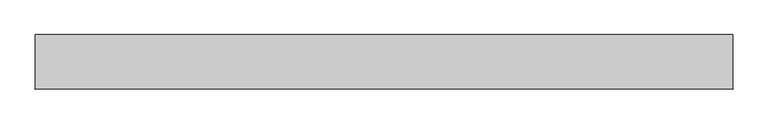
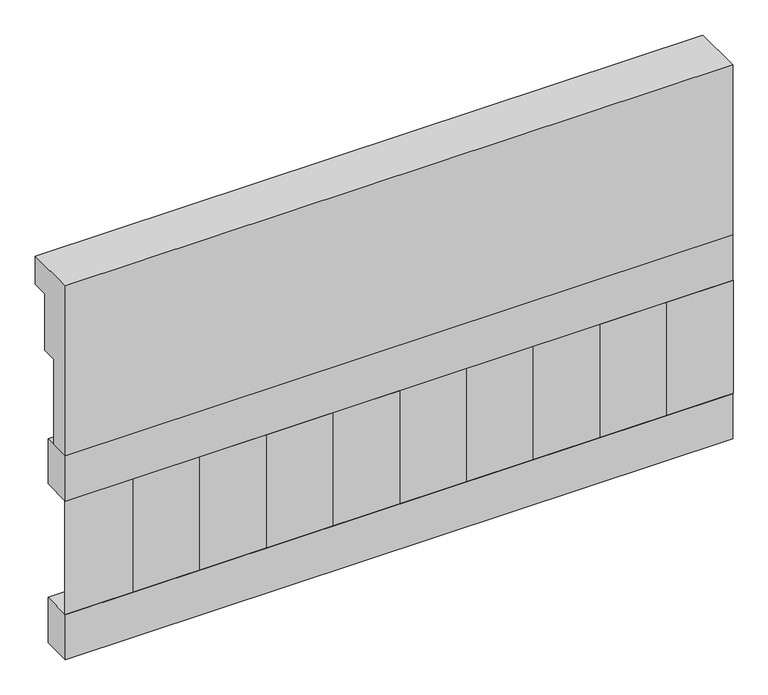
"""IFC4 building model written with IfcOpenShell, lengths in millimetres: railing geometry."""

import ifcopenshell
import ifcopenshell.guid

model = None  # the IFC model being written
_history = None  # IfcOwnerHistory: only IFC2X3 demands one
_inside = {}  # id of a spatial element -> (the spatial element, [elements in it])
_under = {}  # id of a project, library or spatial element -> (it, [spatial elements below it])
_declared = {}  # id of a project -> (the project, [libraries it declares])
_typed = {}  # id of a type object -> (the type object, [elements of that type])
_made_of = {}  # id of a material, layer set ... -> (it, [elements and type objects made of it])


def new_model(schema):
    """Start an empty IFC model of exactly this schema.

    Asked for "IFC4X3", IfcOpenShell would pick the latest addendum, in which some entities
    have other attributes; the version numbers below select the first issue.
    IFC2X3 requires an IfcOwnerHistory on every rooted entity: one is made here for all.
    """
    global model, _history
    if schema == "IFC4X3":
        model = ifcopenshell.file(schema_version=(4, 3, 0, 0))
    else:
        model = ifcopenshell.file(schema=schema)
    _inside.clear()
    _under.clear()
    _declared.clear()
    _typed.clear()
    _made_of.clear()
    _history = None
    if model.schema == "IFC2X3":
        org = make("IfcOrganization", Name="unknown")
        user = make(
            "IfcPersonAndOrganization",
            ThePerson=make("IfcPerson", FamilyName="unknown"),
            TheOrganization=org,
        )
        app = make(
            "IfcApplication",
            ApplicationDeveloper=org,
            Version="unknown",
            ApplicationFullName="unknown",
            ApplicationIdentifier="unknown",
        )
        _history = make(
            "IfcOwnerHistory",
            OwningUser=user,
            OwningApplication=app,
            ChangeAction="ADDED",
            CreationDate=0,
        )
    return model


def make(cls, **values):
    """One entity of the class cls with the attributes given. An attribute that is None is left unset."""
    return model.create_entity(
        cls, **{name: value for name, value in values.items() if value is not None}
    )


def rooted(cls, **values):
    """An entity with a GlobalId (a new one), such as an element, a storey or a relation."""
    return make(cls, GlobalId=ifcopenshell.guid.new(), OwnerHistory=_history, **values)


def si_unit(unit_type, name, prefix=None):
    """IfcSIUnit, for example si_unit("LENGTHUNIT", "METRE", prefix="MILLI")."""
    return make("IfcSIUnit", UnitType=unit_type, Prefix=prefix, Name=name)


def assignment(units):
    """IfcUnitAssignment: the units of a project."""
    return None if units is None else make("IfcUnitAssignment", Units=units)


def point(xyz):
    """IfcCartesianPoint."""
    return None if xyz is None else make("IfcCartesianPoint", Coordinates=xyz)


def direction(xyz):
    """IfcDirection."""
    return None if xyz is None else make("IfcDirection", DirectionRatios=xyz)


def frame(location, z_axis=None, x_axis=None):
    """IfcAxis2Placement3D, a coordinate frame: its origin and axes. An axis left out is left unset."""
    return make(
        "IfcAxis2Placement3D",
        Location=point(location),
        Axis=direction(z_axis),
        RefDirection=direction(x_axis),
    )


def origin():
    """The frame at (0, 0, 0) with its axes left unset."""
    return frame((0.0, 0.0, 0.0))


def place(relative_to, where):
    """IfcLocalPlacement: puts the frame where relative to a parent placement (None: the world)."""
    return make(
        "IfcLocalPlacement", PlacementRelTo=relative_to, RelativePlacement=where
    )


def context(
    kind, dimensions, precision=None, world=None, true_north=None, identifier=None
):
    """IfcGeometricRepresentationContext, for example the 3D "Model" context."""
    return make(
        "IfcGeometricRepresentationContext",
        ContextIdentifier=identifier,
        ContextType=kind,
        CoordinateSpaceDimension=dimensions,
        Precision=precision,
        WorldCoordinateSystem=world,
        TrueNorth=true_north,
    )


def project(units=None, contexts=None):
    """IfcProject with its units and contexts."""
    return rooted(
        "IfcProject",
        Name="project",
        RepresentationContexts=contexts,
        UnitsInContext=assignment(units),
    )


def spatial(cls, under=None, at=None, **own):
    """A site, building, storey or space (cls), placed at a placement, below another one or the project."""
    s = rooted(cls, ObjectPlacement=at, **own)
    if under is not None:
        _under.setdefault(under.id(), (under, []))[1].append(s)
    return s


def polyline(points):
    """IfcPolyline through the points."""
    return make("IfcPolyline", Points=[point(p) for p in points])


def outline(outer, holes=None, kind="AREA"):
    """IfcArbitraryClosedProfileDef: a profile drawn as a closed curve; with holes, ...WithVoids."""
    if holes is None:
        return make("IfcArbitraryClosedProfileDef", ProfileType=kind, OuterCurve=outer)
    return make(
        "IfcArbitraryProfileDefWithVoids",
        ProfileType=kind,
        OuterCurve=outer,
        InnerCurves=holes,
    )


def extrude(swept, where, along, depth):
    """IfcExtrudedAreaSolid: the profile swept, set in the frame where, extruded along a direction by depth."""
    return make(
        "IfcExtrudedAreaSolid",
        SweptArea=swept,
        Position=where,
        ExtrudedDirection=direction(along),
        Depth=depth,
    )


def shape(context_of_items, identifier, shape_type, items):
    """IfcShapeRepresentation: the items that make up one representation, for example the "Body"."""
    return make(
        "IfcShapeRepresentation",
        ContextOfItems=context_of_items,
        RepresentationIdentifier=identifier,
        RepresentationType=shape_type,
        Items=items,
    )


def source(mapping_origin, context_of_items, identifier, shape_type, items):
    """IfcRepresentationMap: a shape defined once, which mapped items show again and again."""
    return make(
        "IfcRepresentationMap",
        MappingOrigin=mapping_origin,
        MappedRepresentation=shape(context_of_items, identifier, shape_type, items),
    )


def transform(
    local_origin,
    x_axis=None,
    y_axis=None,
    z_axis=None,
    scale=None,
    scale2=None,
    scale3=None,
    uniform=True,
):
    """IfcCartesianTransformationOperator3D, or its non-uniform kind. x_axis, y_axis, z_axis: its Axis1, 2, 3."""
    if uniform:
        return make(
            "IfcCartesianTransformationOperator3D",
            Axis1=direction(x_axis),
            Axis2=direction(y_axis),
            LocalOrigin=point(local_origin),
            Scale=scale,
            Axis3=direction(z_axis),
        )
    return make(
        "IfcCartesianTransformationOperator3DnonUniform",
        Axis1=direction(x_axis),
        Axis2=direction(y_axis),
        LocalOrigin=point(local_origin),
        Scale=scale,
        Axis3=direction(z_axis),
        Scale2=scale2,
        Scale3=scale3,
    )


def mapped(mapping_source, mapping_target):
    """IfcMappedItem: shows the shape of a source again, moved by a transform."""
    return make(
        "IfcMappedItem", MappingSource=mapping_source, MappingTarget=mapping_target
    )


def made_of(thing, what):
    """Note that an element or type object is made of a material, layer set ...; save() writes the relation."""
    if what is not None:
        _made_of.setdefault(what.id(), (what, []))[1].append(thing)
    return thing


def element(
    cls,
    number,
    at=None,
    inside=None,
    cuts=None,
    type_object=None,
    material=None,
    context=None,
    identifier="Body",
    shape_type=None,
    held_by="IfcProductDefinitionShape",
    body=None,
    shapes=None,
    **own,
):
    """One element of the class cls, such as IfcWall. Its Tag is "e" and its number.

    at: its placement. inside: the storey or other place that contains it. cuts: it is an
    opening in that element (IfcRelVoidsElement). A single representation is given by context,
    identifier, shape_type and body (its items); several are given by shapes. held_by: the class
    of the entity that holds the representations. save() writes the other relations.
    """
    e = rooted(cls, Tag="e%d" % number, ObjectPlacement=at, **own)
    if body is not None:
        shapes = [shape(context, identifier, shape_type, body)]
    if shapes is not None:
        e.Representation = make(held_by, Representations=shapes)
    if inside is not None:
        _inside.setdefault(inside.id(), (inside, []))[1].append(e)
    if cuts is not None:
        rooted(
            "IfcRelVoidsElement", RelatingBuildingElement=cuts, RelatedOpeningElement=e
        )
    if type_object is not None:
        _typed.setdefault(type_object.id(), (type_object, []))[1].append(e)
    return made_of(e, material)


def aggregate(whole, parts):
    """IfcRelAggregates: a whole, such as a stair, and the parts it consists of."""
    return rooted("IfcRelAggregates", RelatingObject=whole, RelatedObjects=parts)


def save(model, path):
    """Write the relations noted so far, then the file.

    IfcRelAggregates (storeys below a building ...), IfcRelContainedInSpatialStructure (elements
    in a storey), IfcRelDefinesByType, IfcRelAssociatesMaterial and IfcRelDeclares: one each for
    every whole, place, type object, material and project.
    """
    for whole, parts in _under.values():
        aggregate(whole, parts)
    for where, things in _inside.values():
        rooted(
            "IfcRelContainedInSpatialStructure",
            RelatedElements=things,
            RelatingStructure=where,
        )
    for kind, things in _typed.values():
        rooted("IfcRelDefinesByType", RelatedObjects=things, RelatingType=kind)
    for what, things in _made_of.values():
        rooted("IfcRelAssociatesMaterial", RelatedObjects=things, RelatingMaterial=what)
    for by, libraries in _declared.values():
        rooted("IfcRelDeclares", RelatingContext=by, RelatedDefinitions=libraries)
    model.write(path)


def railing_5938dfd2(model_context):
    return source(origin(), model_context, "Body", "SweptSolid", [
        extrude(outline(polyline([(903.1079487, 25100.0), (1033.1079487, 25100.0), (1033.1079487, 25025.0), (993.1079487, 25025.0), (993.1079487, 24875.0), (953.1079487, 24875.0), (953.1079487, 24650.0), (903.1079487, 24650.0), (903.1079487, 25100.0)])), frame((-8909.9887159, 0.0, 0.0), z_axis=(1.0, 0.0, 0.0), x_axis=(0.0, 1.0, 0.0)), (0.0, 0.0, 1.0), 1670.0),
        extrude(outline(polyline([(-7239.9887159, 978.1079487), (-7239.9887159, 903.1079487), (-8909.9887159, 903.1079487), (-8909.9887159, 978.1079487), (-7239.9887159, 978.1079487)])), frame((0.0, 0.0, 24530.0), z_axis=(0.0, 0.0, 1.0), x_axis=(1.0, 0.0, 0.0)), (0.0, 0.0, 1.0), 120.0),
        extrude(outline(polyline([(-7239.9887159, 978.1079487), (-7239.9887159, 903.1079487), (-8909.9887159, 903.1079487), (-8909.9887159, 978.1079487), (-7239.9887159, 978.1079487)])), frame((0.0, 0.0, 24110.0), z_axis=(0.0, 0.0, 1.0), x_axis=(1.0, 0.0, 0.0)), (0.0, 0.0, 1.0), 120.0),
        extrude(outline(polyline([(-8826.4887159, 987.9607624), (-8741.6359022, 903.1079487), (-8911.3415296, 903.1079487), (-8826.4887159, 987.9607624)])), frame((0.0, 0.0, 24230.0), z_axis=(0.0, 0.0, 1.0), x_axis=(1.0, 0.0, 0.0)), (0.0, 0.0, 1.0), 300.0),
        extrude(outline(polyline([(-8659.4887159, 987.9607624), (-8574.6359022, 903.1079487), (-8744.3415296, 903.1079487), (-8659.4887159, 987.9607624)])), frame((0.0, 0.0, 24230.0), z_axis=(0.0, 0.0, 1.0), x_axis=(1.0, 0.0, 0.0)), (0.0, 0.0, 1.0), 300.0),
        extrude(outline(polyline([(-8492.4887159, 987.9607624), (-8407.6359022, 903.1079487), (-8577.3415296, 903.1079487), (-8492.4887159, 987.9607624)])), frame((0.0, 0.0, 24230.0), z_axis=(0.0, 0.0, 1.0), x_axis=(1.0, 0.0, 0.0)), (0.0, 0.0, 1.0), 300.0),
        extrude(outline(polyline([(-8325.4887159, 987.9607624), (-8240.6359022, 903.1079487), (-8410.3415296, 903.1079487), (-8325.4887159, 987.9607624)])), frame((0.0, 0.0, 24230.0), z_axis=(0.0, 0.0, 1.0), x_axis=(1.0, 0.0, 0.0)), (0.0, 0.0, 1.0), 300.0),
        extrude(outline(polyline([(-8158.4887159, 987.9607624), (-8073.6359022, 903.1079487), (-8243.3415296, 903.1079487), (-8158.4887159, 987.9607624)])), frame((0.0, 0.0, 24230.0), z_axis=(0.0, 0.0, 1.0), x_axis=(1.0, 0.0, 0.0)), (0.0, 0.0, 1.0), 300.0),
        extrude(outline(polyline([(-7991.4887159, 987.9607624), (-7906.6359022, 903.1079487), (-8076.3415296, 903.1079487), (-7991.4887159, 987.9607624)])), frame((0.0, 0.0, 24230.0), z_axis=(0.0, 0.0, 1.0), x_axis=(1.0, 0.0, 0.0)), (0.0, 0.0, 1.0), 300.0),
        extrude(outline(polyline([(-7824.4887159, 987.9607624), (-7739.6359022, 903.1079487), (-7909.3415296, 903.1079487), (-7824.4887159, 987.9607624)])), frame((0.0, 0.0, 24230.0), z_axis=(0.0, 0.0, 1.0), x_axis=(1.0, 0.0, 0.0)), (0.0, 0.0, 1.0), 300.0),
        extrude(outline(polyline([(-7657.4887159, 987.9607624), (-7572.6359022, 903.1079487), (-7742.3415296, 903.1079487), (-7657.4887159, 987.9607624)])), frame((0.0, 0.0, 24230.0), z_axis=(0.0, 0.0, 1.0), x_axis=(1.0, 0.0, 0.0)), (0.0, 0.0, 1.0), 300.0),
        extrude(outline(polyline([(-7490.4887159, 987.9607624), (-7405.6359022, 903.1079487), (-7575.3415296, 903.1079487), (-7490.4887159, 987.9607624)])), frame((0.0, 0.0, 24230.0), z_axis=(0.0, 0.0, 1.0), x_axis=(1.0, 0.0, 0.0)), (0.0, 0.0, 1.0), 300.0),
        extrude(outline(polyline([(-7323.4887159, 987.9607624), (-7238.6359022, 903.1079487), (-7408.3415296, 903.1079487), (-7323.4887159, 987.9607624)])), frame((0.0, 0.0, 24230.0), z_axis=(0.0, 0.0, 1.0), x_axis=(1.0, 0.0, 0.0)), (0.0, 0.0, 1.0), 300.0),
    ])


if __name__ == "__main__":
    model = new_model("IFC4")
    model_context = context("Model", 3, world=origin())
    ifc_project = project(units=[si_unit("LENGTHUNIT", "METRE", prefix="MILLI")], contexts=[model_context])
    site = spatial("IfcSite", under=ifc_project)
    building = spatial("IfcBuilding", under=site)
    placement = place(None, origin())
    railing_shape = railing_5938dfd2(model_context)
    element("IfcRailing", 1, at=placement, inside=building, context=model_context, shape_type="MappedRepresentation", body=[
        mapped(railing_shape, transform((0.0, 0.0, 0.0), x_axis=(1.0, 0.0, 0.0), y_axis=(0.0, 1.0, 0.0), z_axis=(0.0, 0.0, 1.0))),
    ])
    save(model, "model.ifc")
